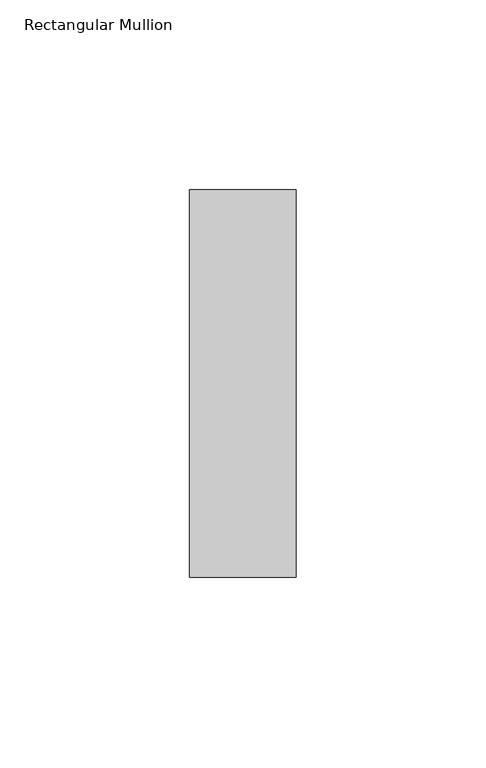
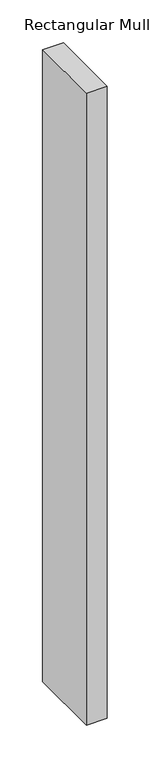
"""IFC4 building model written with IfcOpenShell, lengths in millimetres: member geometry, Rectangular Mullion."""

from ifc_helpers import new_model, si_unit, frame, origin, place, context, project, spatial, polyline, outline, extrude, source, transform, mapped, element, save


def rectangular_mullion_67160bec(model_context):
    return source(origin(), model_context, "Body", "SweptSolid", [
        extrude(outline(polyline([(-28.0, -51.0), (-28.0, 51.0), (0.0, 51.0), (0.0, -51.0), (-28.0, -51.0)])), frame((0.0, 0.0, -900.0), z_axis=(0.0, 0.0, 1.0), x_axis=(1.0, 0.0, 0.0)), (0.0, 0.0, 1.0), 900.0),
    ])


if __name__ == "__main__":
    model = new_model("IFC4")
    model_context = context("Model", 3, world=origin())
    ifc_project = project(units=[si_unit("LENGTHUNIT", "METRE", prefix="MILLI")], contexts=[model_context])
    site = spatial("IfcSite", under=ifc_project)
    building = spatial("IfcBuilding", under=site)
    placement = place(None, origin())
    rectangular_mullion_shape = rectangular_mullion_67160bec(model_context)
    element("IfcMember", 1, ObjectType="Rectangular Mullion", at=placement, inside=building, context=model_context, shape_type="MappedRepresentation", body=[
        mapped(rectangular_mullion_shape, transform((0.0, 0.0, 0.0), x_axis=(1.0, 0.0, 0.0), y_axis=(0.0, 1.0, 0.0), z_axis=(0.0, 0.0, 1.0))),
    ])
    save(model, "model.ifc")
